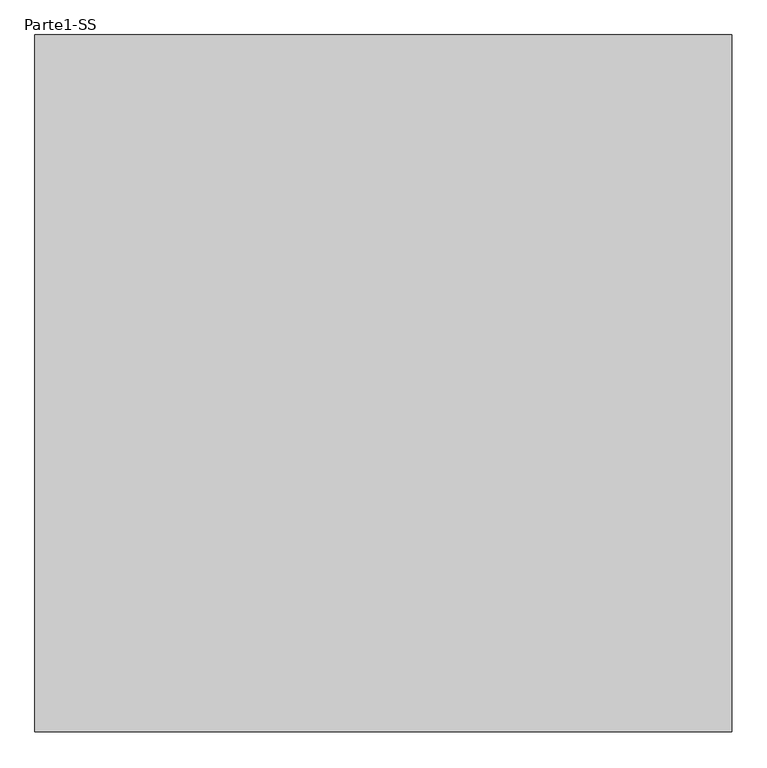
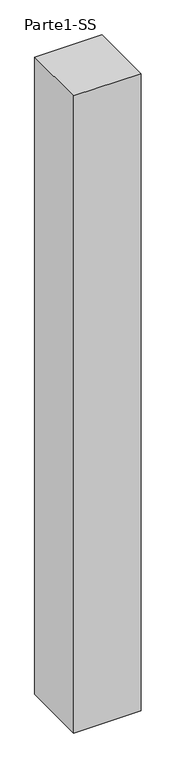
"""IFC4 building model written with IfcOpenShell, lengths in millimetres: proxy geometry, Parte1-SS."""

from ifc_helpers import new_model, si_unit, origin, origin_with_axes, place, context, project, spatial, polyline, outline, extrude, source, transform, mapped, element, save


def parte1_ss_080554ab(model_context):
    return source(origin(), model_context, "Body", "SweptSolid", [
        extrude(outline(polyline([(2000.0, 2000.0), (2000.0, 0.0), (0.0, 0.0), (0.0, 2000.0), (2000.0, 2000.0)])), origin_with_axes(), (0.0, 0.0, 1.0), 20000.0),
    ])


if __name__ == "__main__":
    model = new_model("IFC4")
    model_context = context("Model", 3, world=origin())
    ifc_project = project(units=[si_unit("LENGTHUNIT", "METRE", prefix="MILLI")], contexts=[model_context])
    site = spatial("IfcSite", under=ifc_project)
    building = spatial("IfcBuilding", under=site)
    placement = place(None, origin())
    parte1_ss_shape = parte1_ss_080554ab(model_context)
    element("IfcBuildingElementProxy", 1, Name="Parte1-SS", ObjectType="Parte1-SS", at=placement, inside=building, context=model_context, shape_type="MappedRepresentation", body=[
        mapped(parte1_ss_shape, transform((0.0, 0.0, 0.0), x_axis=(1.0, 0.0, 0.0), y_axis=(0.0, 1.0, 0.0), z_axis=(0.0, 0.0, 1.0))),
    ])
    save(model, "model.ifc")
